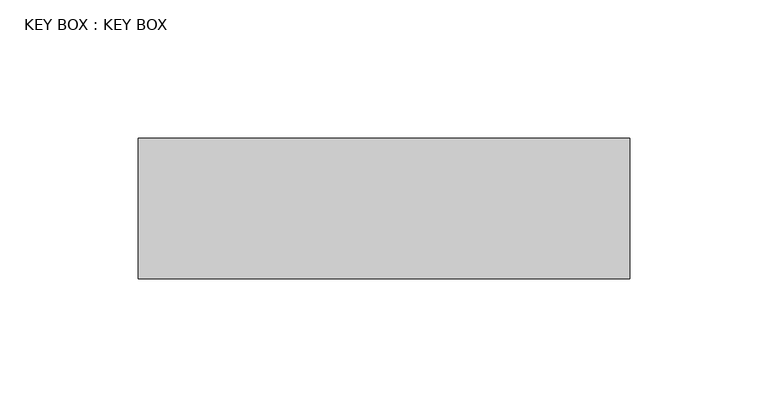
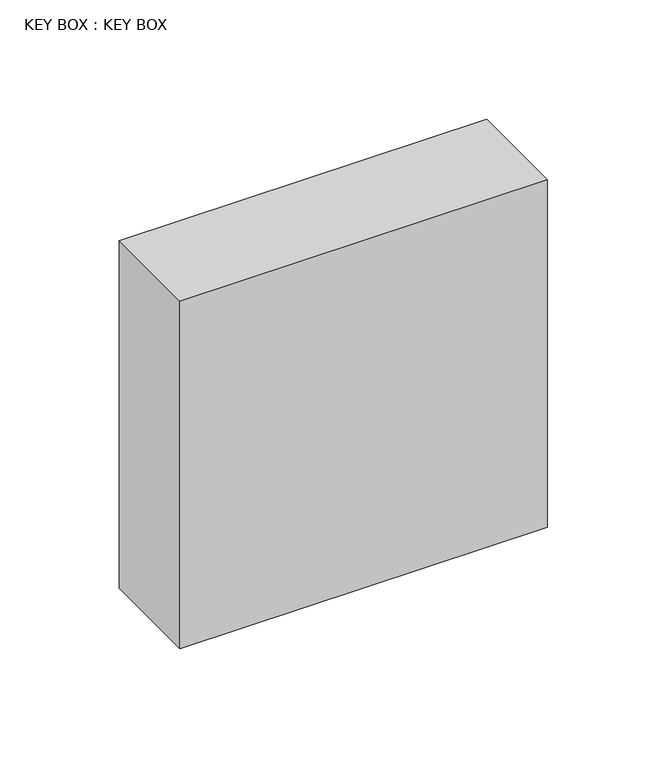
"""IFC4 building model written with IfcOpenShell, lengths in millimetres: proxy geometry, KEY BOX : KEY BOX."""

from ifc_helpers import new_model, si_unit, frame, origin, place, context, project, spatial, polyline, outline, extrude, source, transform, mapped, element, save


def key_box_key_box_5a511e9c(model_context):
    return source(origin(), model_context, "Body", "SweptSolid", [
        extrude(outline(polyline([(1577.7226137, 27523.0171508), (1399.9226137, 27523.0171508), (1399.9226137, 27573.8171508), (1577.7226137, 27573.8171508), (1577.7226137, 27523.0171508)])), frame((0.0, 0.0, 1466.7585902), z_axis=(0.0, 0.0, 1.0), x_axis=(1.0, 0.0, 0.0)), (0.0, 0.0, 1.0), 177.8),
    ])


if __name__ == "__main__":
    model = new_model("IFC4")
    model_context = context("Model", 3, world=origin())
    ifc_project = project(units=[si_unit("LENGTHUNIT", "METRE", prefix="MILLI")], contexts=[model_context])
    site = spatial("IfcSite", under=ifc_project)
    building = spatial("IfcBuilding", under=site)
    placement = place(None, origin())
    key_box_key_box_shape = key_box_key_box_5a511e9c(model_context)
    element("IfcBuildingElementProxy", 1, Name="KEY BOX : KEY BOX", ObjectType="KEY BOX : KEY BOX", at=placement, inside=building, context=model_context, shape_type="MappedRepresentation", body=[
        mapped(key_box_key_box_shape, transform((0.0, 0.0, 0.0), x_axis=(1.0, 0.0, 0.0), y_axis=(0.0, 1.0, 0.0), z_axis=(0.0, 0.0, 1.0))),
    ])
    save(model, "model.ifc")
